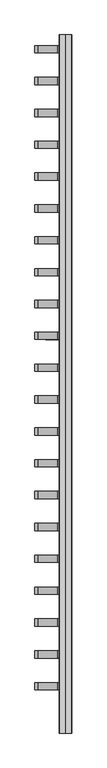
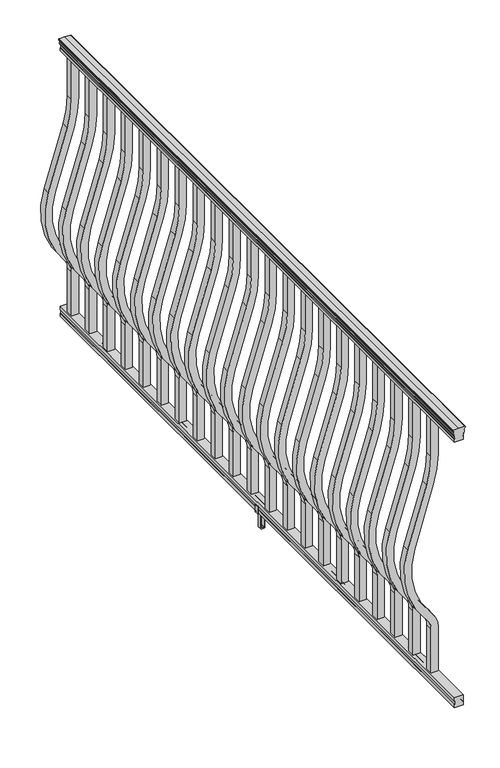
"""IFC4 building model written with IfcOpenShell, lengths in millimetres: railing geometry."""

from ifc_helpers import new_model, si_unit, point, frame, frame_2d, origin, place, context, project, spatial, polyline, circle_curve, trimmed, segment, composite_curve, outline, extrude, source, transform, mapped, element, save


def railing_517e70e4(model_context):
    return source(origin(), model_context, "Body", "SweptSolid", [
        extrude(outline(composite_curve([segment(trimmed(circle_curve(frame_2d((1090.8043297, 3206.6195636)), 1.2869144), [point((1090.8043297, 3205.3326492))], [point((1090.8043297, 3207.9064779))], False, "CARTESIAN"), True, "CONTINUOUS"), segment(polyline([(1090.8043297, 3207.9064779), (1080.147013, 3207.9064779), (1079.131013, 3206.8904779), (1066.8, 3206.8904779), (1066.8, 3238.6404779), (1079.2888283, 3238.6404779), (1080.3048283, 3237.6244779), (1090.8043297, 3237.6244779)]), True, "CONTINUOUS"), segment(trimmed(circle_curve(frame_2d((1090.8043297, 3238.9113923)), 1.2869144), [point((1090.8043297, 3237.6244779))], [point((1090.8043297, 3240.1983067))], False, "CARTESIAN"), True, "CONTINUOUS"), segment(polyline([(1090.8043297, 3240.1983067), (1092.692412, 3240.1983067)]), True, "CONTINUOUS"), segment(trimmed(circle_curve(frame_2d((1098.4506383, 3233.8835534)), 8.545951), [point((1092.692412, 3240.1983067))], [point((1094.2546695, 3241.328493))], False, "CARTESIAN"), True, "CONTINUOUS"), segment(trimmed(circle_curve(frame_2d((1097.8636577, 3234.3206164)), 7.882584), [point((1094.2546695, 3241.328493))], [point((1101.4726458, 3241.328493))], False, "CARTESIAN"), True, "CONTINUOUS"), segment(trimmed(circle_curve(frame_2d((1103.7112527, 3244.8339405)), 4.1592695), [point((1101.4726458, 3241.328493))], [point((1103.9060812, 3240.6792366))], True, "CARTESIAN"), True, "CONTINUOUS"), segment(trimmed(circle_curve(frame_2d((1103.6508864, 3246.121247)), 5.4479907), [point((1103.9060812, 3240.6792366))], [point((1108.2362083, 3243.1792366))], True, "CARTESIAN"), True, "CONTINUOUS"), segment(trimmed(circle_curve(frame_2d((1108.233395, 3244.8880886)), 1.7088543), [point((1108.2362083, 3243.1792366))], [point((1109.9157972, 3244.588579))], True, "CARTESIAN"), True, "CONTINUOUS"), segment(trimmed(circle_curve(frame_2d((1111.0205318, 3243.2711885)), 1.7192895), [point((1109.9157972, 3244.588579))], [point((1111.0205318, 3244.990478))], False, "CARTESIAN"), True, "CONTINUOUS"), segment(polyline([(1111.0205318, 3244.990478), (1112.3608158, 3244.9904779)]), True, "CONTINUOUS"), segment(trimmed(circle_curve(frame_2d((1112.3608158, 3243.4370307)), 1.5534472), [point((1112.3608158, 3244.9904779))], [point((1113.914263, 3243.4370307))], False, "CARTESIAN"), True, "CONTINUOUS"), segment(polyline([(1113.914263, 3243.4370307), (1113.914263, 3222.7654779), (1113.914263, 3202.0939252)]), True, "CONTINUOUS"), segment(trimmed(circle_curve(frame_2d((1112.3608158, 3202.0939252)), 1.5534472), [point((1113.914263, 3202.0939252))], [point((1112.3608158, 3200.5404779))], False, "CARTESIAN"), True, "CONTINUOUS"), segment(polyline([(1112.3608158, 3200.5404779), (1111.0205318, 3200.5404779)]), True, "CONTINUOUS"), segment(trimmed(circle_curve(frame_2d((1111.0205318, 3202.2597674)), 1.7192895), [point((1111.0205318, 3200.5404779))], [point((1109.9157972, 3200.9423769))], False, "CARTESIAN"), True, "CONTINUOUS"), segment(trimmed(circle_curve(frame_2d((1108.233395, 3200.6428673)), 1.7088543), [point((1109.9157972, 3200.9423769))], [point((1108.2362083, 3202.3517193))], True, "CARTESIAN"), True, "CONTINUOUS"), segment(trimmed(circle_curve(frame_2d((1103.6508864, 3199.4097088)), 5.4479907), [point((1108.2362083, 3202.3517193))], [point((1103.9060812, 3204.8517193))], True, "CARTESIAN"), True, "CONTINUOUS"), segment(trimmed(circle_curve(frame_2d((1103.7112527, 3200.6970154)), 4.1592695), [point((1103.9060812, 3204.8517193))], [point((1101.4726458, 3204.2024629))], True, "CARTESIAN"), True, "CONTINUOUS"), segment(trimmed(circle_curve(frame_2d((1097.8636577, 3211.2103395)), 7.882584), [point((1101.4726458, 3204.2024629))], [point((1094.2546695, 3204.2024629))], False, "CARTESIAN"), True, "CONTINUOUS"), segment(trimmed(circle_curve(frame_2d((1098.4506383, 3211.6474025)), 8.545951), [point((1094.2546695, 3204.2024629))], [point((1092.692412, 3205.3326492))], False, "CARTESIAN"), True, "CONTINUOUS"), segment(polyline([(1092.692412, 3205.3326492), (1090.8043297, 3205.3326492)]), True, "CONTINUOUS")], self_intersect=False)), frame((0.0, -43756.5733589, 0.0), z_axis=(0.0, 1.0, 0.0), x_axis=(0.0, 0.0, 1.0)), (0.0, 0.0, 1.0), 2438.4),
        extrude(outline(polyline([(76.0541976, 3206.852991), (63.5, 3206.852991), (63.5, 3238.602991), (76.0375508, 3238.602991), (77.3858283, 3237.586991), (87.6975248, 3237.586991), (89.0458024, 3238.602991), (101.5958781, 3238.602991), (101.5958781, 3206.852991), (89.0624492, 3206.852991), (87.7141717, 3207.868991), (77.3546183, 3207.868991), (76.0541976, 3206.852991)])), frame((0.0, -43756.5733589, 0.0), z_axis=(0.0, 1.0, 0.0), x_axis=(0.0, 0.0, 1.0)), (0.0, 0.0, 1.0), 2438.4),
        extrude(outline(composite_curve([segment(trimmed(circle_curve(frame_2d((921.03216, 2862.7654779)), 347.3), [point((921.03216, 3210.0654779))], [point((819.491467, 3194.8901197))], True, "CARTESIAN"), True, "CONTINUOUS"), segment(polyline([(819.491467, 3194.8901197), (597.6384377, 3127.0628419)]), True, "CONTINUOUS"), segment(trimmed(circle_curve(frame_2d((512.0612397, 3406.9732439)), 292.7), [point((597.6384377, 3127.0628419))], [point((317.0275666, 3188.7184471))], False, "CARTESIAN"), True, "CONTINUOUS"), segment(polyline([(317.0275666, 3188.7184471), (310.8708524, 3194.2201204)]), True, "CONTINUOUS"), segment(trimmed(circle_curve(frame_2d((269.3587313, 3147.7654779)), 62.3), [point((310.8708524, 3194.2201204))], [point((269.3587313, 3210.0654779))], True, "CARTESIAN"), True, "CONTINUOUS"), segment(polyline([(269.3587313, 3210.0654779), (101.5958781, 3210.0654779), (101.5958781, 3235.4654779), (269.3587313, 3235.4654779)]), True, "CONTINUOUS"), segment(trimmed(circle_curve(frame_2d((269.3587313, 3147.7654779)), 87.7), [point((269.3587313, 3235.4654779))], [point((327.7955374, 3213.1598943))], False, "CARTESIAN"), True, "CONTINUOUS"), segment(polyline([(327.7955374, 3213.1598943), (333.9522516, 3207.6582211)]), True, "CONTINUOUS"), segment(trimmed(circle_curve(frame_2d((512.0612397, 3406.9732439)), 267.3), [point((333.9522516, 3207.6582211))], [point((590.2121964, 3151.3529827))], True, "CARTESIAN"), True, "CONTINUOUS"), segment(polyline([(590.2121964, 3151.3529827), (812.0652257, 3219.1802605)]), True, "CONTINUOUS"), segment(trimmed(circle_curve(frame_2d((921.03216, 2862.7654779)), 372.7), [point((812.0652257, 3219.1802605))], [point((921.03216, 3235.4654779))], False, "CARTESIAN"), True, "CONTINUOUS"), segment(polyline([(921.03216, 3235.4654779), (1066.8, 3235.4654779), (1066.8, 3210.0654779), (921.03216, 3210.0654779)]), True, "CONTINUOUS")], self_intersect=False)), frame((0.0, -41380.6573589, 0.0), z_axis=(0.0, 1.0, 0.0), x_axis=(0.0, 0.0, 1.0)), (0.0, 0.0, 1.0), 25.4),
        extrude(outline(composite_curve([segment(trimmed(circle_curve(frame_2d((921.03216, 2862.7654779)), 347.3), [point((921.03216, 3210.0654779))], [point((819.491467, 3194.8901197))], True, "CARTESIAN"), True, "CONTINUOUS"), segment(polyline([(819.491467, 3194.8901197), (597.6384377, 3127.0628419)]), True, "CONTINUOUS"), segment(trimmed(circle_curve(frame_2d((512.0612397, 3406.9732439)), 292.7), [point((597.6384377, 3127.0628419))], [point((317.0275666, 3188.7184471))], False, "CARTESIAN"), True, "CONTINUOUS"), segment(polyline([(317.0275666, 3188.7184471), (310.8708524, 3194.2201204)]), True, "CONTINUOUS"), segment(trimmed(circle_curve(frame_2d((269.3587313, 3147.7654779)), 62.3), [point((310.8708524, 3194.2201204))], [point((269.3587313, 3210.0654779))], True, "CARTESIAN"), True, "CONTINUOUS"), segment(polyline([(269.3587313, 3210.0654779), (101.5958781, 3210.0654779), (101.5958781, 3235.4654779), (269.3587313, 3235.4654779)]), True, "CONTINUOUS"), segment(trimmed(circle_curve(frame_2d((269.3587313, 3147.7654779)), 87.7), [point((269.3587313, 3235.4654779))], [point((327.7955374, 3213.1598943))], False, "CARTESIAN"), True, "CONTINUOUS"), segment(polyline([(327.7955374, 3213.1598943), (333.9522516, 3207.6582211)]), True, "CONTINUOUS"), segment(trimmed(circle_curve(frame_2d((512.0612397, 3406.9732439)), 267.3), [point((333.9522516, 3207.6582211))], [point((590.2121964, 3151.3529827))], True, "CARTESIAN"), True, "CONTINUOUS"), segment(polyline([(590.2121964, 3151.3529827), (812.0652257, 3219.1802605)]), True, "CONTINUOUS"), segment(trimmed(circle_curve(frame_2d((921.03216, 2862.7654779)), 372.7), [point((812.0652257, 3219.1802605))], [point((921.03216, 3235.4654779))], False, "CARTESIAN"), True, "CONTINUOUS"), segment(polyline([(921.03216, 3235.4654779), (1066.8, 3235.4654779), (1066.8, 3210.0654779), (921.03216, 3210.0654779)]), True, "CONTINUOUS")], self_intersect=False)), frame((0.0, -41491.9093589, 0.0), z_axis=(0.0, 1.0, 0.0), x_axis=(0.0, 0.0, 1.0)), (0.0, 0.0, 1.0), 25.4),
        extrude(outline(composite_curve([segment(trimmed(circle_curve(frame_2d((921.03216, 2862.7654779)), 347.3), [point((921.03216, 3210.0654779))], [point((819.491467, 3194.8901197))], True, "CARTESIAN"), True, "CONTINUOUS"), segment(polyline([(819.491467, 3194.8901197), (597.6384377, 3127.0628419)]), True, "CONTINUOUS"), segment(trimmed(circle_curve(frame_2d((512.0612397, 3406.9732439)), 292.7), [point((597.6384377, 3127.0628419))], [point((317.0275666, 3188.7184471))], False, "CARTESIAN"), True, "CONTINUOUS"), segment(polyline([(317.0275666, 3188.7184471), (310.8708524, 3194.2201204)]), True, "CONTINUOUS"), segment(trimmed(circle_curve(frame_2d((269.3587313, 3147.7654779)), 62.3), [point((310.8708524, 3194.2201204))], [point((269.3587313, 3210.0654779))], True, "CARTESIAN"), True, "CONTINUOUS"), segment(polyline([(269.3587313, 3210.0654779), (101.5958781, 3210.0654779), (101.5958781, 3235.4654779), (269.3587313, 3235.4654779)]), True, "CONTINUOUS"), segment(trimmed(circle_curve(frame_2d((269.3587313, 3147.7654779)), 87.7), [point((269.3587313, 3235.4654779))], [point((327.7955374, 3213.1598943))], False, "CARTESIAN"), True, "CONTINUOUS"), segment(polyline([(327.7955374, 3213.1598943), (333.9522516, 3207.6582211)]), True, "CONTINUOUS"), segment(trimmed(circle_curve(frame_2d((512.0612397, 3406.9732439)), 267.3), [point((333.9522516, 3207.6582211))], [point((590.2121964, 3151.3529827))], True, "CARTESIAN"), True, "CONTINUOUS"), segment(polyline([(590.2121964, 3151.3529827), (812.0652257, 3219.1802605)]), True, "CONTINUOUS"), segment(trimmed(circle_curve(frame_2d((921.03216, 2862.7654779)), 372.7), [point((812.0652257, 3219.1802605))], [point((921.03216, 3235.4654779))], False, "CARTESIAN"), True, "CONTINUOUS"), segment(polyline([(921.03216, 3235.4654779), (1066.8, 3235.4654779), (1066.8, 3210.0654779), (921.03216, 3210.0654779)]), True, "CONTINUOUS")], self_intersect=False)), frame((0.0, -41603.1613589, 0.0), z_axis=(0.0, 1.0, 0.0), x_axis=(0.0, 0.0, 1.0)), (0.0, 0.0, 1.0), 25.4),
        extrude(outline(composite_curve([segment(trimmed(circle_curve(frame_2d((921.03216, 2862.7654779)), 347.3), [point((921.03216, 3210.0654779))], [point((819.491467, 3194.8901197))], True, "CARTESIAN"), True, "CONTINUOUS"), segment(polyline([(819.491467, 3194.8901197), (597.6384377, 3127.0628419)]), True, "CONTINUOUS"), segment(trimmed(circle_curve(frame_2d((512.0612397, 3406.9732439)), 292.7), [point((597.6384377, 3127.0628419))], [point((317.0275666, 3188.7184471))], False, "CARTESIAN"), True, "CONTINUOUS"), segment(polyline([(317.0275666, 3188.7184471), (310.8708524, 3194.2201204)]), True, "CONTINUOUS"), segment(trimmed(circle_curve(frame_2d((269.3587313, 3147.7654779)), 62.3), [point((310.8708524, 3194.2201204))], [point((269.3587313, 3210.0654779))], True, "CARTESIAN"), True, "CONTINUOUS"), segment(polyline([(269.3587313, 3210.0654779), (101.5958781, 3210.0654779), (101.5958781, 3235.4654779), (269.3587313, 3235.4654779)]), True, "CONTINUOUS"), segment(trimmed(circle_curve(frame_2d((269.3587313, 3147.7654779)), 87.7), [point((269.3587313, 3235.4654779))], [point((327.7955374, 3213.1598943))], False, "CARTESIAN"), True, "CONTINUOUS"), segment(polyline([(327.7955374, 3213.1598943), (333.9522516, 3207.6582211)]), True, "CONTINUOUS"), segment(trimmed(circle_curve(frame_2d((512.0612397, 3406.9732439)), 267.3), [point((333.9522516, 3207.6582211))], [point((590.2121964, 3151.3529827))], True, "CARTESIAN"), True, "CONTINUOUS"), segment(polyline([(590.2121964, 3151.3529827), (812.0652257, 3219.1802605)]), True, "CONTINUOUS"), segment(trimmed(circle_curve(frame_2d((921.03216, 2862.7654779)), 372.7), [point((812.0652257, 3219.1802605))], [point((921.03216, 3235.4654779))], False, "CARTESIAN"), True, "CONTINUOUS"), segment(polyline([(921.03216, 3235.4654779), (1066.8, 3235.4654779), (1066.8, 3210.0654779), (921.03216, 3210.0654779)]), True, "CONTINUOUS")], self_intersect=False)), frame((0.0, -41714.4133589, 0.0), z_axis=(0.0, 1.0, 0.0), x_axis=(0.0, 0.0, 1.0)), (0.0, 0.0, 1.0), 25.4),
        extrude(outline(composite_curve([segment(trimmed(circle_curve(frame_2d((921.03216, 2862.7654779)), 347.3), [point((921.03216, 3210.0654779))], [point((819.491467, 3194.8901197))], True, "CARTESIAN"), True, "CONTINUOUS"), segment(polyline([(819.491467, 3194.8901197), (597.6384377, 3127.0628419)]), True, "CONTINUOUS"), segment(trimmed(circle_curve(frame_2d((512.0612397, 3406.9732439)), 292.7), [point((597.6384377, 3127.0628419))], [point((317.0275666, 3188.7184471))], False, "CARTESIAN"), True, "CONTINUOUS"), segment(polyline([(317.0275666, 3188.7184471), (310.8708524, 3194.2201204)]), True, "CONTINUOUS"), segment(trimmed(circle_curve(frame_2d((269.3587313, 3147.7654779)), 62.3), [point((310.8708524, 3194.2201204))], [point((269.3587313, 3210.0654779))], True, "CARTESIAN"), True, "CONTINUOUS"), segment(polyline([(269.3587313, 3210.0654779), (101.5958781, 3210.0654779), (101.5958781, 3235.4654779), (269.3587313, 3235.4654779)]), True, "CONTINUOUS"), segment(trimmed(circle_curve(frame_2d((269.3587313, 3147.7654779)), 87.7), [point((269.3587313, 3235.4654779))], [point((327.7955374, 3213.1598943))], False, "CARTESIAN"), True, "CONTINUOUS"), segment(polyline([(327.7955374, 3213.1598943), (333.9522516, 3207.6582211)]), True, "CONTINUOUS"), segment(trimmed(circle_curve(frame_2d((512.0612397, 3406.9732439)), 267.3), [point((333.9522516, 3207.6582211))], [point((590.2121964, 3151.3529827))], True, "CARTESIAN"), True, "CONTINUOUS"), segment(polyline([(590.2121964, 3151.3529827), (812.0652257, 3219.1802605)]), True, "CONTINUOUS"), segment(trimmed(circle_curve(frame_2d((921.03216, 2862.7654779)), 372.7), [point((812.0652257, 3219.1802605))], [point((921.03216, 3235.4654779))], False, "CARTESIAN"), True, "CONTINUOUS"), segment(polyline([(921.03216, 3235.4654779), (1066.8, 3235.4654779), (1066.8, 3210.0654779), (921.03216, 3210.0654779)]), True, "CONTINUOUS")], self_intersect=False)), frame((0.0, -41825.6653589, 0.0), z_axis=(0.0, 1.0, 0.0), x_axis=(0.0, 0.0, 1.0)), (0.0, 0.0, 1.0), 25.4),
        extrude(outline(composite_curve([segment(trimmed(circle_curve(frame_2d((921.03216, 2862.7654779)), 347.3), [point((921.03216, 3210.0654779))], [point((819.491467, 3194.8901197))], True, "CARTESIAN"), True, "CONTINUOUS"), segment(polyline([(819.491467, 3194.8901197), (597.6384377, 3127.0628419)]), True, "CONTINUOUS"), segment(trimmed(circle_curve(frame_2d((512.0612397, 3406.9732439)), 292.7), [point((597.6384377, 3127.0628419))], [point((317.0275666, 3188.7184471))], False, "CARTESIAN"), True, "CONTINUOUS"), segment(polyline([(317.0275666, 3188.7184471), (310.8708524, 3194.2201204)]), True, "CONTINUOUS"), segment(trimmed(circle_curve(frame_2d((269.3587313, 3147.7654779)), 62.3), [point((310.8708524, 3194.2201204))], [point((269.3587313, 3210.0654779))], True, "CARTESIAN"), True, "CONTINUOUS"), segment(polyline([(269.3587313, 3210.0654779), (101.5958781, 3210.0654779), (101.5958781, 3235.4654779), (269.3587313, 3235.4654779)]), True, "CONTINUOUS"), segment(trimmed(circle_curve(frame_2d((269.3587313, 3147.7654779)), 87.7), [point((269.3587313, 3235.4654779))], [point((327.7955374, 3213.1598943))], False, "CARTESIAN"), True, "CONTINUOUS"), segment(polyline([(327.7955374, 3213.1598943), (333.9522516, 3207.6582211)]), True, "CONTINUOUS"), segment(trimmed(circle_curve(frame_2d((512.0612397, 3406.9732439)), 267.3), [point((333.9522516, 3207.6582211))], [point((590.2121964, 3151.3529827))], True, "CARTESIAN"), True, "CONTINUOUS"), segment(polyline([(590.2121964, 3151.3529827), (812.0652257, 3219.1802605)]), True, "CONTINUOUS"), segment(trimmed(circle_curve(frame_2d((921.03216, 2862.7654779)), 372.7), [point((812.0652257, 3219.1802605))], [point((921.03216, 3235.4654779))], False, "CARTESIAN"), True, "CONTINUOUS"), segment(polyline([(921.03216, 3235.4654779), (1066.8, 3235.4654779), (1066.8, 3210.0654779), (921.03216, 3210.0654779)]), True, "CONTINUOUS")], self_intersect=False)), frame((0.0, -41936.9173589, 0.0), z_axis=(0.0, 1.0, 0.0), x_axis=(0.0, 0.0, 1.0)), (0.0, 0.0, 1.0), 25.4),
        extrude(outline(composite_curve([segment(trimmed(circle_curve(frame_2d((921.03216, 2862.7654779)), 347.3), [point((921.03216, 3210.0654779))], [point((819.491467, 3194.8901197))], True, "CARTESIAN"), True, "CONTINUOUS"), segment(polyline([(819.491467, 3194.8901197), (597.6384377, 3127.0628419)]), True, "CONTINUOUS"), segment(trimmed(circle_curve(frame_2d((512.0612397, 3406.9732439)), 292.7), [point((597.6384377, 3127.0628419))], [point((317.0275666, 3188.7184471))], False, "CARTESIAN"), True, "CONTINUOUS"), segment(polyline([(317.0275666, 3188.7184471), (310.8708524, 3194.2201204)]), True, "CONTINUOUS"), segment(trimmed(circle_curve(frame_2d((269.3587313, 3147.7654779)), 62.3), [point((310.8708524, 3194.2201204))], [point((269.3587313, 3210.0654779))], True, "CARTESIAN"), True, "CONTINUOUS"), segment(polyline([(269.3587313, 3210.0654779), (101.5958781, 3210.0654779), (101.5958781, 3235.4654779), (269.3587313, 3235.4654779)]), True, "CONTINUOUS"), segment(trimmed(circle_curve(frame_2d((269.3587313, 3147.7654779)), 87.7), [point((269.3587313, 3235.4654779))], [point((327.7955374, 3213.1598943))], False, "CARTESIAN"), True, "CONTINUOUS"), segment(polyline([(327.7955374, 3213.1598943), (333.9522516, 3207.6582211)]), True, "CONTINUOUS"), segment(trimmed(circle_curve(frame_2d((512.0612397, 3406.9732439)), 267.3), [point((333.9522516, 3207.6582211))], [point((590.2121964, 3151.3529827))], True, "CARTESIAN"), True, "CONTINUOUS"), segment(polyline([(590.2121964, 3151.3529827), (812.0652257, 3219.1802605)]), True, "CONTINUOUS"), segment(trimmed(circle_curve(frame_2d((921.03216, 2862.7654779)), 372.7), [point((812.0652257, 3219.1802605))], [point((921.03216, 3235.4654779))], False, "CARTESIAN"), True, "CONTINUOUS"), segment(polyline([(921.03216, 3235.4654779), (1066.8, 3235.4654779), (1066.8, 3210.0654779), (921.03216, 3210.0654779)]), True, "CONTINUOUS")], self_intersect=False)), frame((0.0, -42048.1693589, 0.0), z_axis=(0.0, 1.0, 0.0), x_axis=(0.0, 0.0, 1.0)), (0.0, 0.0, 1.0), 25.4),
        extrude(outline(composite_curve([segment(trimmed(circle_curve(frame_2d((921.03216, 2862.7654779)), 347.3), [point((921.03216, 3210.0654779))], [point((819.491467, 3194.8901197))], True, "CARTESIAN"), True, "CONTINUOUS"), segment(polyline([(819.491467, 3194.8901197), (597.6384377, 3127.0628419)]), True, "CONTINUOUS"), segment(trimmed(circle_curve(frame_2d((512.0612397, 3406.9732439)), 292.7), [point((597.6384377, 3127.0628419))], [point((317.0275666, 3188.7184471))], False, "CARTESIAN"), True, "CONTINUOUS"), segment(polyline([(317.0275666, 3188.7184471), (310.8708524, 3194.2201204)]), True, "CONTINUOUS"), segment(trimmed(circle_curve(frame_2d((269.3587313, 3147.7654779)), 62.3), [point((310.8708524, 3194.2201204))], [point((269.3587313, 3210.0654779))], True, "CARTESIAN"), True, "CONTINUOUS"), segment(polyline([(269.3587313, 3210.0654779), (101.5958781, 3210.0654779), (101.5958781, 3235.4654779), (269.3587313, 3235.4654779)]), True, "CONTINUOUS"), segment(trimmed(circle_curve(frame_2d((269.3587313, 3147.7654779)), 87.7), [point((269.3587313, 3235.4654779))], [point((327.7955374, 3213.1598943))], False, "CARTESIAN"), True, "CONTINUOUS"), segment(polyline([(327.7955374, 3213.1598943), (333.9522516, 3207.6582211)]), True, "CONTINUOUS"), segment(trimmed(circle_curve(frame_2d((512.0612397, 3406.9732439)), 267.3), [point((333.9522516, 3207.6582211))], [point((590.2121964, 3151.3529827))], True, "CARTESIAN"), True, "CONTINUOUS"), segment(polyline([(590.2121964, 3151.3529827), (812.0652257, 3219.1802605)]), True, "CONTINUOUS"), segment(trimmed(circle_curve(frame_2d((921.03216, 2862.7654779)), 372.7), [point((812.0652257, 3219.1802605))], [point((921.03216, 3235.4654779))], False, "CARTESIAN"), True, "CONTINUOUS"), segment(polyline([(921.03216, 3235.4654779), (1066.8, 3235.4654779), (1066.8, 3210.0654779), (921.03216, 3210.0654779)]), True, "CONTINUOUS")], self_intersect=False)), frame((0.0, -42159.4213589, 0.0), z_axis=(0.0, 1.0, 0.0), x_axis=(0.0, 0.0, 1.0)), (0.0, 0.0, 1.0), 25.4),
        extrude(outline(composite_curve([segment(trimmed(circle_curve(frame_2d((921.03216, 2862.7654779)), 347.3), [point((921.03216, 3210.0654779))], [point((819.491467, 3194.8901197))], True, "CARTESIAN"), True, "CONTINUOUS"), segment(polyline([(819.491467, 3194.8901197), (597.6384377, 3127.0628419)]), True, "CONTINUOUS"), segment(trimmed(circle_curve(frame_2d((512.0612397, 3406.9732439)), 292.7), [point((597.6384377, 3127.0628419))], [point((317.0275666, 3188.7184471))], False, "CARTESIAN"), True, "CONTINUOUS"), segment(polyline([(317.0275666, 3188.7184471), (310.8708524, 3194.2201204)]), True, "CONTINUOUS"), segment(trimmed(circle_curve(frame_2d((269.3587313, 3147.7654779)), 62.3), [point((310.8708524, 3194.2201204))], [point((269.3587313, 3210.0654779))], True, "CARTESIAN"), True, "CONTINUOUS"), segment(polyline([(269.3587313, 3210.0654779), (101.5958781, 3210.0654779), (101.5958781, 3235.4654779), (269.3587313, 3235.4654779)]), True, "CONTINUOUS"), segment(trimmed(circle_curve(frame_2d((269.3587313, 3147.7654779)), 87.7), [point((269.3587313, 3235.4654779))], [point((327.7955374, 3213.1598943))], False, "CARTESIAN"), True, "CONTINUOUS"), segment(polyline([(327.7955374, 3213.1598943), (333.9522516, 3207.6582211)]), True, "CONTINUOUS"), segment(trimmed(circle_curve(frame_2d((512.0612397, 3406.9732439)), 267.3), [point((333.9522516, 3207.6582211))], [point((590.2121964, 3151.3529827))], True, "CARTESIAN"), True, "CONTINUOUS"), segment(polyline([(590.2121964, 3151.3529827), (812.0652257, 3219.1802605)]), True, "CONTINUOUS"), segment(trimmed(circle_curve(frame_2d((921.03216, 2862.7654779)), 372.7), [point((812.0652257, 3219.1802605))], [point((921.03216, 3235.4654779))], False, "CARTESIAN"), True, "CONTINUOUS"), segment(polyline([(921.03216, 3235.4654779), (1066.8, 3235.4654779), (1066.8, 3210.0654779), (921.03216, 3210.0654779)]), True, "CONTINUOUS")], self_intersect=False)), frame((0.0, -42270.6733589, 0.0), z_axis=(0.0, 1.0, 0.0), x_axis=(0.0, 0.0, 1.0)), (0.0, 0.0, 1.0), 25.4),
        extrude(outline(composite_curve([segment(trimmed(circle_curve(frame_2d((921.03216, 2862.7654779)), 347.3), [point((921.03216, 3210.0654779))], [point((819.491467, 3194.8901197))], True, "CARTESIAN"), True, "CONTINUOUS"), segment(polyline([(819.491467, 3194.8901197), (597.6384377, 3127.0628419)]), True, "CONTINUOUS"), segment(trimmed(circle_curve(frame_2d((512.0612397, 3406.9732439)), 292.7), [point((597.6384377, 3127.0628419))], [point((317.0275666, 3188.7184471))], False, "CARTESIAN"), True, "CONTINUOUS"), segment(polyline([(317.0275666, 3188.7184471), (310.8708524, 3194.2201204)]), True, "CONTINUOUS"), segment(trimmed(circle_curve(frame_2d((269.3587313, 3147.7654779)), 62.3), [point((310.8708524, 3194.2201204))], [point((269.3587313, 3210.0654779))], True, "CARTESIAN"), True, "CONTINUOUS"), segment(polyline([(269.3587313, 3210.0654779), (101.5958781, 3210.0654779), (101.5958781, 3235.4654779), (269.3587313, 3235.4654779)]), True, "CONTINUOUS"), segment(trimmed(circle_curve(frame_2d((269.3587313, 3147.7654779)), 87.7), [point((269.3587313, 3235.4654779))], [point((327.7955374, 3213.1598943))], False, "CARTESIAN"), True, "CONTINUOUS"), segment(polyline([(327.7955374, 3213.1598943), (333.9522516, 3207.6582211)]), True, "CONTINUOUS"), segment(trimmed(circle_curve(frame_2d((512.0612397, 3406.9732439)), 267.3), [point((333.9522516, 3207.6582211))], [point((590.2121964, 3151.3529827))], True, "CARTESIAN"), True, "CONTINUOUS"), segment(polyline([(590.2121964, 3151.3529827), (812.0652257, 3219.1802605)]), True, "CONTINUOUS"), segment(trimmed(circle_curve(frame_2d((921.03216, 2862.7654779)), 372.7), [point((812.0652257, 3219.1802605))], [point((921.03216, 3235.4654779))], False, "CARTESIAN"), True, "CONTINUOUS"), segment(polyline([(921.03216, 3235.4654779), (1066.8, 3235.4654779), (1066.8, 3210.0654779), (921.03216, 3210.0654779)]), True, "CONTINUOUS")], self_intersect=False)), frame((0.0, -42381.9253589, 0.0), z_axis=(0.0, 1.0, 0.0), x_axis=(0.0, 0.0, 1.0)), (0.0, 0.0, 1.0), 25.4),
        extrude(outline(composite_curve([segment(trimmed(circle_curve(frame_2d((921.03216, 2862.7654779)), 347.3), [point((921.03216, 3210.0654779))], [point((819.491467, 3194.8901197))], True, "CARTESIAN"), True, "CONTINUOUS"), segment(polyline([(819.491467, 3194.8901197), (597.6384377, 3127.0628419)]), True, "CONTINUOUS"), segment(trimmed(circle_curve(frame_2d((512.0612397, 3406.9732439)), 292.7), [point((597.6384377, 3127.0628419))], [point((317.0275666, 3188.7184471))], False, "CARTESIAN"), True, "CONTINUOUS"), segment(polyline([(317.0275666, 3188.7184471), (310.8708524, 3194.2201204)]), True, "CONTINUOUS"), segment(trimmed(circle_curve(frame_2d((269.3587313, 3147.7654779)), 62.3), [point((310.8708524, 3194.2201204))], [point((269.3587313, 3210.0654779))], True, "CARTESIAN"), True, "CONTINUOUS"), segment(polyline([(269.3587313, 3210.0654779), (101.5958781, 3210.0654779), (101.5958781, 3235.4654779), (269.3587313, 3235.4654779)]), True, "CONTINUOUS"), segment(trimmed(circle_curve(frame_2d((269.3587313, 3147.7654779)), 87.7), [point((269.3587313, 3235.4654779))], [point((327.7955374, 3213.1598943))], False, "CARTESIAN"), True, "CONTINUOUS"), segment(polyline([(327.7955374, 3213.1598943), (333.9522516, 3207.6582211)]), True, "CONTINUOUS"), segment(trimmed(circle_curve(frame_2d((512.0612397, 3406.9732439)), 267.3), [point((333.9522516, 3207.6582211))], [point((590.2121964, 3151.3529827))], True, "CARTESIAN"), True, "CONTINUOUS"), segment(polyline([(590.2121964, 3151.3529827), (812.0652257, 3219.1802605)]), True, "CONTINUOUS"), segment(trimmed(circle_curve(frame_2d((921.03216, 2862.7654779)), 372.7), [point((812.0652257, 3219.1802605))], [point((921.03216, 3235.4654779))], False, "CARTESIAN"), True, "CONTINUOUS"), segment(polyline([(921.03216, 3235.4654779), (1066.8, 3235.4654779), (1066.8, 3210.0654779), (921.03216, 3210.0654779)]), True, "CONTINUOUS")], self_intersect=False)), frame((0.0, -42493.1773589, 0.0), z_axis=(0.0, 1.0, 0.0), x_axis=(0.0, 0.0, 1.0)), (0.0, 0.0, 1.0), 25.4),
        extrude(outline(polyline([(88.7203979, 3240.9264768), (88.7203979, 3238.8944772), (87.7043953, 3237.8784774), (77.2686081, 3237.8784774), (76.2526073, 3238.8944772), (64.262001, 3238.8944772), (63.5000019, 3238.132478), (63.5000019, 3207.3984769), (64.262001, 3206.6364778), (76.2526073, 3206.6364778), (77.2686081, 3207.6524775), (87.7043953, 3207.6524775), (88.7203979, 3206.6364778), (88.7203979, 3204.6044782), (87.9583969, 3203.8424771), (61.4680023, 3203.8424771), (60.7060013, 3204.6044782), (60.7060013, 3214.6374772), (59.9440012, 3215.3994773), (0.762001, 3215.3994773), (0.0, 3216.1614783), (0.0, 3229.3694776), (0.7620001, 3230.1314776), (59.9440012, 3230.1314776), (60.7060013, 3230.8934777), (60.7060013, 3240.9264768), (61.4680023, 3241.6884778), (87.9583969, 3241.6884778), (88.7203979, 3240.9264768)]), holes=[polyline([(60.7060013, 3219.3364776), (60.7060013, 3226.1944774), (59.9440012, 3226.9564775), (3.9370003, 3226.9564775), (3.1750031, 3226.1944802), (3.1750031, 3219.3364776), (3.9370031, 3218.5744775), (59.9440012, 3218.5744775), (60.7060013, 3219.3364776)])]), frame((0.0, -42543.4693589, 0.0), z_axis=(0.0, 1.0, 0.0), x_axis=(0.0, 0.0, 1.0)), (0.0, 0.0, 1.0), 14.732),
        extrude(outline(composite_curve([segment(trimmed(circle_curve(frame_2d((921.03216, 2862.7654779)), 347.3), [point((921.03216, 3210.0654779))], [point((819.491467, 3194.8901197))], True, "CARTESIAN"), True, "CONTINUOUS"), segment(polyline([(819.491467, 3194.8901197), (597.6384377, 3127.0628419)]), True, "CONTINUOUS"), segment(trimmed(circle_curve(frame_2d((512.0612397, 3406.9732439)), 292.7), [point((597.6384377, 3127.0628419))], [point((317.0275666, 3188.7184471))], False, "CARTESIAN"), True, "CONTINUOUS"), segment(polyline([(317.0275666, 3188.7184471), (310.8708524, 3194.2201204)]), True, "CONTINUOUS"), segment(trimmed(circle_curve(frame_2d((269.3587313, 3147.7654779)), 62.3), [point((310.8708524, 3194.2201204))], [point((269.3587313, 3210.0654779))], True, "CARTESIAN"), True, "CONTINUOUS"), segment(polyline([(269.3587313, 3210.0654779), (101.5958781, 3210.0654779), (101.5958781, 3235.4654779), (269.3587313, 3235.4654779)]), True, "CONTINUOUS"), segment(trimmed(circle_curve(frame_2d((269.3587313, 3147.7654779)), 87.7), [point((269.3587313, 3235.4654779))], [point((327.7955374, 3213.1598943))], False, "CARTESIAN"), True, "CONTINUOUS"), segment(polyline([(327.7955374, 3213.1598943), (333.9522516, 3207.6582211)]), True, "CONTINUOUS"), segment(trimmed(circle_curve(frame_2d((512.0612397, 3406.9732439)), 267.3), [point((333.9522516, 3207.6582211))], [point((590.2121964, 3151.3529827))], True, "CARTESIAN"), True, "CONTINUOUS"), segment(polyline([(590.2121964, 3151.3529827), (812.0652257, 3219.1802605)]), True, "CONTINUOUS"), segment(trimmed(circle_curve(frame_2d((921.03216, 2862.7654779)), 372.7), [point((812.0652257, 3219.1802605))], [point((921.03216, 3235.4654779))], False, "CARTESIAN"), True, "CONTINUOUS"), segment(polyline([(921.03216, 3235.4654779), (1066.8, 3235.4654779), (1066.8, 3210.0654779), (921.03216, 3210.0654779)]), True, "CONTINUOUS")], self_intersect=False)), frame((0.0, -42604.4293589, 0.0), z_axis=(0.0, 1.0, 0.0), x_axis=(0.0, 0.0, 1.0)), (0.0, 0.0, 1.0), 25.4),
        extrude(outline(composite_curve([segment(trimmed(circle_curve(frame_2d((921.03216, 2862.7654779)), 347.3), [point((921.03216, 3210.0654779))], [point((819.491467, 3194.8901197))], True, "CARTESIAN"), True, "CONTINUOUS"), segment(polyline([(819.491467, 3194.8901197), (597.6384377, 3127.0628419)]), True, "CONTINUOUS"), segment(trimmed(circle_curve(frame_2d((512.0612397, 3406.9732439)), 292.7), [point((597.6384377, 3127.0628419))], [point((317.0275666, 3188.7184471))], False, "CARTESIAN"), True, "CONTINUOUS"), segment(polyline([(317.0275666, 3188.7184471), (310.8708524, 3194.2201204)]), True, "CONTINUOUS"), segment(trimmed(circle_curve(frame_2d((269.3587313, 3147.7654779)), 62.3), [point((310.8708524, 3194.2201204))], [point((269.3587313, 3210.0654779))], True, "CARTESIAN"), True, "CONTINUOUS"), segment(polyline([(269.3587313, 3210.0654779), (101.5958781, 3210.0654779), (101.5958781, 3235.4654779), (269.3587313, 3235.4654779)]), True, "CONTINUOUS"), segment(trimmed(circle_curve(frame_2d((269.3587313, 3147.7654779)), 87.7), [point((269.3587313, 3235.4654779))], [point((327.7955374, 3213.1598943))], False, "CARTESIAN"), True, "CONTINUOUS"), segment(polyline([(327.7955374, 3213.1598943), (333.9522516, 3207.6582211)]), True, "CONTINUOUS"), segment(trimmed(circle_curve(frame_2d((512.0612397, 3406.9732439)), 267.3), [point((333.9522516, 3207.6582211))], [point((590.2121964, 3151.3529827))], True, "CARTESIAN"), True, "CONTINUOUS"), segment(polyline([(590.2121964, 3151.3529827), (812.0652257, 3219.1802605)]), True, "CONTINUOUS"), segment(trimmed(circle_curve(frame_2d((921.03216, 2862.7654779)), 372.7), [point((812.0652257, 3219.1802605))], [point((921.03216, 3235.4654779))], False, "CARTESIAN"), True, "CONTINUOUS"), segment(polyline([(921.03216, 3235.4654779), (1066.8, 3235.4654779), (1066.8, 3210.0654779), (921.03216, 3210.0654779)]), True, "CONTINUOUS")], self_intersect=False)), frame((0.0, -42715.6813589, 0.0), z_axis=(0.0, 1.0, 0.0), x_axis=(0.0, 0.0, 1.0)), (0.0, 0.0, 1.0), 25.4),
        extrude(outline(composite_curve([segment(trimmed(circle_curve(frame_2d((921.03216, 2862.7654779)), 347.3), [point((921.03216, 3210.0654779))], [point((819.491467, 3194.8901197))], True, "CARTESIAN"), True, "CONTINUOUS"), segment(polyline([(819.491467, 3194.8901197), (597.6384377, 3127.0628419)]), True, "CONTINUOUS"), segment(trimmed(circle_curve(frame_2d((512.0612397, 3406.9732439)), 292.7), [point((597.6384377, 3127.0628419))], [point((317.0275666, 3188.7184471))], False, "CARTESIAN"), True, "CONTINUOUS"), segment(polyline([(317.0275666, 3188.7184471), (310.8708524, 3194.2201204)]), True, "CONTINUOUS"), segment(trimmed(circle_curve(frame_2d((269.3587313, 3147.7654779)), 62.3), [point((310.8708524, 3194.2201204))], [point((269.3587313, 3210.0654779))], True, "CARTESIAN"), True, "CONTINUOUS"), segment(polyline([(269.3587313, 3210.0654779), (101.5958781, 3210.0654779), (101.5958781, 3235.4654779), (269.3587313, 3235.4654779)]), True, "CONTINUOUS"), segment(trimmed(circle_curve(frame_2d((269.3587313, 3147.7654779)), 87.7), [point((269.3587313, 3235.4654779))], [point((327.7955374, 3213.1598943))], False, "CARTESIAN"), True, "CONTINUOUS"), segment(polyline([(327.7955374, 3213.1598943), (333.9522516, 3207.6582211)]), True, "CONTINUOUS"), segment(trimmed(circle_curve(frame_2d((512.0612397, 3406.9732439)), 267.3), [point((333.9522516, 3207.6582211))], [point((590.2121964, 3151.3529827))], True, "CARTESIAN"), True, "CONTINUOUS"), segment(polyline([(590.2121964, 3151.3529827), (812.0652257, 3219.1802605)]), True, "CONTINUOUS"), segment(trimmed(circle_curve(frame_2d((921.03216, 2862.7654779)), 372.7), [point((812.0652257, 3219.1802605))], [point((921.03216, 3235.4654779))], False, "CARTESIAN"), True, "CONTINUOUS"), segment(polyline([(921.03216, 3235.4654779), (1066.8, 3235.4654779), (1066.8, 3210.0654779), (921.03216, 3210.0654779)]), True, "CONTINUOUS")], self_intersect=False)), frame((0.0, -42826.9333589, 0.0), z_axis=(0.0, 1.0, 0.0), x_axis=(0.0, 0.0, 1.0)), (0.0, 0.0, 1.0), 25.4),
        extrude(outline(composite_curve([segment(trimmed(circle_curve(frame_2d((921.03216, 2862.7654779)), 347.3), [point((921.03216, 3210.0654779))], [point((819.491467, 3194.8901197))], True, "CARTESIAN"), True, "CONTINUOUS"), segment(polyline([(819.491467, 3194.8901197), (597.6384377, 3127.0628419)]), True, "CONTINUOUS"), segment(trimmed(circle_curve(frame_2d((512.0612397, 3406.9732439)), 292.7), [point((597.6384377, 3127.0628419))], [point((317.0275666, 3188.7184471))], False, "CARTESIAN"), True, "CONTINUOUS"), segment(polyline([(317.0275666, 3188.7184471), (310.8708524, 3194.2201204)]), True, "CONTINUOUS"), segment(trimmed(circle_curve(frame_2d((269.3587313, 3147.7654779)), 62.3), [point((310.8708524, 3194.2201204))], [point((269.3587313, 3210.0654779))], True, "CARTESIAN"), True, "CONTINUOUS"), segment(polyline([(269.3587313, 3210.0654779), (101.5958781, 3210.0654779), (101.5958781, 3235.4654779), (269.3587313, 3235.4654779)]), True, "CONTINUOUS"), segment(trimmed(circle_curve(frame_2d((269.3587313, 3147.7654779)), 87.7), [point((269.3587313, 3235.4654779))], [point((327.7955374, 3213.1598943))], False, "CARTESIAN"), True, "CONTINUOUS"), segment(polyline([(327.7955374, 3213.1598943), (333.9522516, 3207.6582211)]), True, "CONTINUOUS"), segment(trimmed(circle_curve(frame_2d((512.0612397, 3406.9732439)), 267.3), [point((333.9522516, 3207.6582211))], [point((590.2121964, 3151.3529827))], True, "CARTESIAN"), True, "CONTINUOUS"), segment(polyline([(590.2121964, 3151.3529827), (812.0652257, 3219.1802605)]), True, "CONTINUOUS"), segment(trimmed(circle_curve(frame_2d((921.03216, 2862.7654779)), 372.7), [point((812.0652257, 3219.1802605))], [point((921.03216, 3235.4654779))], False, "CARTESIAN"), True, "CONTINUOUS"), segment(polyline([(921.03216, 3235.4654779), (1066.8, 3235.4654779), (1066.8, 3210.0654779), (921.03216, 3210.0654779)]), True, "CONTINUOUS")], self_intersect=False)), frame((0.0, -42938.1853589, 0.0), z_axis=(0.0, 1.0, 0.0), x_axis=(0.0, 0.0, 1.0)), (0.0, 0.0, 1.0), 25.4),
        extrude(outline(composite_curve([segment(trimmed(circle_curve(frame_2d((921.03216, 2862.7654779)), 347.3), [point((921.03216, 3210.0654779))], [point((819.491467, 3194.8901197))], True, "CARTESIAN"), True, "CONTINUOUS"), segment(polyline([(819.491467, 3194.8901197), (597.6384377, 3127.0628419)]), True, "CONTINUOUS"), segment(trimmed(circle_curve(frame_2d((512.0612397, 3406.9732439)), 292.7), [point((597.6384377, 3127.0628419))], [point((317.0275666, 3188.7184471))], False, "CARTESIAN"), True, "CONTINUOUS"), segment(polyline([(317.0275666, 3188.7184471), (310.8708524, 3194.2201204)]), True, "CONTINUOUS"), segment(trimmed(circle_curve(frame_2d((269.3587313, 3147.7654779)), 62.3), [point((310.8708524, 3194.2201204))], [point((269.3587313, 3210.0654779))], True, "CARTESIAN"), True, "CONTINUOUS"), segment(polyline([(269.3587313, 3210.0654779), (101.5958781, 3210.0654779), (101.5958781, 3235.4654779), (269.3587313, 3235.4654779)]), True, "CONTINUOUS"), segment(trimmed(circle_curve(frame_2d((269.3587313, 3147.7654779)), 87.7), [point((269.3587313, 3235.4654779))], [point((327.7955374, 3213.1598943))], False, "CARTESIAN"), True, "CONTINUOUS"), segment(polyline([(327.7955374, 3213.1598943), (333.9522516, 3207.6582211)]), True, "CONTINUOUS"), segment(trimmed(circle_curve(frame_2d((512.0612397, 3406.9732439)), 267.3), [point((333.9522516, 3207.6582211))], [point((590.2121964, 3151.3529827))], True, "CARTESIAN"), True, "CONTINUOUS"), segment(polyline([(590.2121964, 3151.3529827), (812.0652257, 3219.1802605)]), True, "CONTINUOUS"), segment(trimmed(circle_curve(frame_2d((921.03216, 2862.7654779)), 372.7), [point((812.0652257, 3219.1802605))], [point((921.03216, 3235.4654779))], False, "CARTESIAN"), True, "CONTINUOUS"), segment(polyline([(921.03216, 3235.4654779), (1066.8, 3235.4654779), (1066.8, 3210.0654779), (921.03216, 3210.0654779)]), True, "CONTINUOUS")], self_intersect=False)), frame((0.0, -43049.4373589, 0.0), z_axis=(0.0, 1.0, 0.0), x_axis=(0.0, 0.0, 1.0)), (0.0, 0.0, 1.0), 25.4),
        extrude(outline(composite_curve([segment(trimmed(circle_curve(frame_2d((921.03216, 2862.7654779)), 347.3), [point((921.03216, 3210.0654779))], [point((819.491467, 3194.8901197))], True, "CARTESIAN"), True, "CONTINUOUS"), segment(polyline([(819.491467, 3194.8901197), (597.6384377, 3127.0628419)]), True, "CONTINUOUS"), segment(trimmed(circle_curve(frame_2d((512.0612397, 3406.9732439)), 292.7), [point((597.6384377, 3127.0628419))], [point((317.0275666, 3188.7184471))], False, "CARTESIAN"), True, "CONTINUOUS"), segment(polyline([(317.0275666, 3188.7184471), (310.8708524, 3194.2201204)]), True, "CONTINUOUS"), segment(trimmed(circle_curve(frame_2d((269.3587313, 3147.7654779)), 62.3), [point((310.8708524, 3194.2201204))], [point((269.3587313, 3210.0654779))], True, "CARTESIAN"), True, "CONTINUOUS"), segment(polyline([(269.3587313, 3210.0654779), (101.5958781, 3210.0654779), (101.5958781, 3235.4654779), (269.3587313, 3235.4654779)]), True, "CONTINUOUS"), segment(trimmed(circle_curve(frame_2d((269.3587313, 3147.7654779)), 87.7), [point((269.3587313, 3235.4654779))], [point((327.7955374, 3213.1598943))], False, "CARTESIAN"), True, "CONTINUOUS"), segment(polyline([(327.7955374, 3213.1598943), (333.9522516, 3207.6582211)]), True, "CONTINUOUS"), segment(trimmed(circle_curve(frame_2d((512.0612397, 3406.9732439)), 267.3), [point((333.9522516, 3207.6582211))], [point((590.2121964, 3151.3529827))], True, "CARTESIAN"), True, "CONTINUOUS"), segment(polyline([(590.2121964, 3151.3529827), (812.0652257, 3219.1802605)]), True, "CONTINUOUS"), segment(trimmed(circle_curve(frame_2d((921.03216, 2862.7654779)), 372.7), [point((812.0652257, 3219.1802605))], [point((921.03216, 3235.4654779))], False, "CARTESIAN"), True, "CONTINUOUS"), segment(polyline([(921.03216, 3235.4654779), (1066.8, 3235.4654779), (1066.8, 3210.0654779), (921.03216, 3210.0654779)]), True, "CONTINUOUS")], self_intersect=False)), frame((0.0, -43160.6893589, 0.0), z_axis=(0.0, 1.0, 0.0), x_axis=(0.0, 0.0, 1.0)), (0.0, 0.0, 1.0), 25.4),
        extrude(outline(composite_curve([segment(trimmed(circle_curve(frame_2d((921.03216, 2862.7654779)), 347.3), [point((921.03216, 3210.0654779))], [point((819.491467, 3194.8901197))], True, "CARTESIAN"), True, "CONTINUOUS"), segment(polyline([(819.491467, 3194.8901197), (597.6384377, 3127.0628419)]), True, "CONTINUOUS"), segment(trimmed(circle_curve(frame_2d((512.0612397, 3406.9732439)), 292.7), [point((597.6384377, 3127.0628419))], [point((317.0275666, 3188.7184471))], False, "CARTESIAN"), True, "CONTINUOUS"), segment(polyline([(317.0275666, 3188.7184471), (310.8708524, 3194.2201204)]), True, "CONTINUOUS"), segment(trimmed(circle_curve(frame_2d((269.3587313, 3147.7654779)), 62.3), [point((310.8708524, 3194.2201204))], [point((269.3587313, 3210.0654779))], True, "CARTESIAN"), True, "CONTINUOUS"), segment(polyline([(269.3587313, 3210.0654779), (101.5958781, 3210.0654779), (101.5958781, 3235.4654779), (269.3587313, 3235.4654779)]), True, "CONTINUOUS"), segment(trimmed(circle_curve(frame_2d((269.3587313, 3147.7654779)), 87.7), [point((269.3587313, 3235.4654779))], [point((327.7955374, 3213.1598943))], False, "CARTESIAN"), True, "CONTINUOUS"), segment(polyline([(327.7955374, 3213.1598943), (333.9522516, 3207.6582211)]), True, "CONTINUOUS"), segment(trimmed(circle_curve(frame_2d((512.0612397, 3406.9732439)), 267.3), [point((333.9522516, 3207.6582211))], [point((590.2121964, 3151.3529827))], True, "CARTESIAN"), True, "CONTINUOUS"), segment(polyline([(590.2121964, 3151.3529827), (812.0652257, 3219.1802605)]), True, "CONTINUOUS"), segment(trimmed(circle_curve(frame_2d((921.03216, 2862.7654779)), 372.7), [point((812.0652257, 3219.1802605))], [point((921.03216, 3235.4654779))], False, "CARTESIAN"), True, "CONTINUOUS"), segment(polyline([(921.03216, 3235.4654779), (1066.8, 3235.4654779), (1066.8, 3210.0654779), (921.03216, 3210.0654779)]), True, "CONTINUOUS")], self_intersect=False)), frame((0.0, -43271.9413589, 0.0), z_axis=(0.0, 1.0, 0.0), x_axis=(0.0, 0.0, 1.0)), (0.0, 0.0, 1.0), 25.4),
        extrude(outline(composite_curve([segment(trimmed(circle_curve(frame_2d((921.03216, 2862.7654779)), 347.3), [point((921.03216, 3210.0654779))], [point((819.491467, 3194.8901197))], True, "CARTESIAN"), True, "CONTINUOUS"), segment(polyline([(819.491467, 3194.8901197), (597.6384377, 3127.0628419)]), True, "CONTINUOUS"), segment(trimmed(circle_curve(frame_2d((512.0612397, 3406.9732439)), 292.7), [point((597.6384377, 3127.0628419))], [point((317.0275666, 3188.7184471))], False, "CARTESIAN"), True, "CONTINUOUS"), segment(polyline([(317.0275666, 3188.7184471), (310.8708524, 3194.2201204)]), True, "CONTINUOUS"), segment(trimmed(circle_curve(frame_2d((269.3587313, 3147.7654779)), 62.3), [point((310.8708524, 3194.2201204))], [point((269.3587313, 3210.0654779))], True, "CARTESIAN"), True, "CONTINUOUS"), segment(polyline([(269.3587313, 3210.0654779), (101.5958781, 3210.0654779), (101.5958781, 3235.4654779), (269.3587313, 3235.4654779)]), True, "CONTINUOUS"), segment(trimmed(circle_curve(frame_2d((269.3587313, 3147.7654779)), 87.7), [point((269.3587313, 3235.4654779))], [point((327.7955374, 3213.1598943))], False, "CARTESIAN"), True, "CONTINUOUS"), segment(polyline([(327.7955374, 3213.1598943), (333.9522516, 3207.6582211)]), True, "CONTINUOUS"), segment(trimmed(circle_curve(frame_2d((512.0612397, 3406.9732439)), 267.3), [point((333.9522516, 3207.6582211))], [point((590.2121964, 3151.3529827))], True, "CARTESIAN"), True, "CONTINUOUS"), segment(polyline([(590.2121964, 3151.3529827), (812.0652257, 3219.1802605)]), True, "CONTINUOUS"), segment(trimmed(circle_curve(frame_2d((921.03216, 2862.7654779)), 372.7), [point((812.0652257, 3219.1802605))], [point((921.03216, 3235.4654779))], False, "CARTESIAN"), True, "CONTINUOUS"), segment(polyline([(921.03216, 3235.4654779), (1066.8, 3235.4654779), (1066.8, 3210.0654779), (921.03216, 3210.0654779)]), True, "CONTINUOUS")], self_intersect=False)), frame((0.0, -43383.1933589, 0.0), z_axis=(0.0, 1.0, 0.0), x_axis=(0.0, 0.0, 1.0)), (0.0, 0.0, 1.0), 25.4),
        extrude(outline(composite_curve([segment(trimmed(circle_curve(frame_2d((921.03216, 2862.7654779)), 347.3), [point((921.03216, 3210.0654779))], [point((819.491467, 3194.8901197))], True, "CARTESIAN"), True, "CONTINUOUS"), segment(polyline([(819.491467, 3194.8901197), (597.6384377, 3127.0628419)]), True, "CONTINUOUS"), segment(trimmed(circle_curve(frame_2d((512.0612397, 3406.9732439)), 292.7), [point((597.6384377, 3127.0628419))], [point((317.0275666, 3188.7184471))], False, "CARTESIAN"), True, "CONTINUOUS"), segment(polyline([(317.0275666, 3188.7184471), (310.8708524, 3194.2201204)]), True, "CONTINUOUS"), segment(trimmed(circle_curve(frame_2d((269.3587313, 3147.7654779)), 62.3), [point((310.8708524, 3194.2201204))], [point((269.3587313, 3210.0654779))], True, "CARTESIAN"), True, "CONTINUOUS"), segment(polyline([(269.3587313, 3210.0654779), (101.5958781, 3210.0654779), (101.5958781, 3235.4654779), (269.3587313, 3235.4654779)]), True, "CONTINUOUS"), segment(trimmed(circle_curve(frame_2d((269.3587313, 3147.7654779)), 87.7), [point((269.3587313, 3235.4654779))], [point((327.7955374, 3213.1598943))], False, "CARTESIAN"), True, "CONTINUOUS"), segment(polyline([(327.7955374, 3213.1598943), (333.9522516, 3207.6582211)]), True, "CONTINUOUS"), segment(trimmed(circle_curve(frame_2d((512.0612397, 3406.9732439)), 267.3), [point((333.9522516, 3207.6582211))], [point((590.2121964, 3151.3529827))], True, "CARTESIAN"), True, "CONTINUOUS"), segment(polyline([(590.2121964, 3151.3529827), (812.0652257, 3219.1802605)]), True, "CONTINUOUS"), segment(trimmed(circle_curve(frame_2d((921.03216, 2862.7654779)), 372.7), [point((812.0652257, 3219.1802605))], [point((921.03216, 3235.4654779))], False, "CARTESIAN"), True, "CONTINUOUS"), segment(polyline([(921.03216, 3235.4654779), (1066.8, 3235.4654779), (1066.8, 3210.0654779), (921.03216, 3210.0654779)]), True, "CONTINUOUS")], self_intersect=False)), frame((0.0, -43494.4453589, 0.0), z_axis=(0.0, 1.0, 0.0), x_axis=(0.0, 0.0, 1.0)), (0.0, 0.0, 1.0), 25.4),
        extrude(outline(composite_curve([segment(trimmed(circle_curve(frame_2d((921.03216, 2862.7654779)), 347.3), [point((921.03216, 3210.0654779))], [point((819.491467, 3194.8901197))], True, "CARTESIAN"), True, "CONTINUOUS"), segment(polyline([(819.491467, 3194.8901197), (597.6384377, 3127.0628419)]), True, "CONTINUOUS"), segment(trimmed(circle_curve(frame_2d((512.0612397, 3406.9732439)), 292.7), [point((597.6384377, 3127.0628419))], [point((317.0275666, 3188.7184471))], False, "CARTESIAN"), True, "CONTINUOUS"), segment(polyline([(317.0275666, 3188.7184471), (310.8708524, 3194.2201204)]), True, "CONTINUOUS"), segment(trimmed(circle_curve(frame_2d((269.3587313, 3147.7654779)), 62.3), [point((310.8708524, 3194.2201204))], [point((269.3587313, 3210.0654779))], True, "CARTESIAN"), True, "CONTINUOUS"), segment(polyline([(269.3587313, 3210.0654779), (101.5958781, 3210.0654779), (101.5958781, 3235.4654779), (269.3587313, 3235.4654779)]), True, "CONTINUOUS"), segment(trimmed(circle_curve(frame_2d((269.3587313, 3147.7654779)), 87.7), [point((269.3587313, 3235.4654779))], [point((327.7955374, 3213.1598943))], False, "CARTESIAN"), True, "CONTINUOUS"), segment(polyline([(327.7955374, 3213.1598943), (333.9522516, 3207.6582211)]), True, "CONTINUOUS"), segment(trimmed(circle_curve(frame_2d((512.0612397, 3406.9732439)), 267.3), [point((333.9522516, 3207.6582211))], [point((590.2121964, 3151.3529827))], True, "CARTESIAN"), True, "CONTINUOUS"), segment(polyline([(590.2121964, 3151.3529827), (812.0652257, 3219.1802605)]), True, "CONTINUOUS"), segment(trimmed(circle_curve(frame_2d((921.03216, 2862.7654779)), 372.7), [point((812.0652257, 3219.1802605))], [point((921.03216, 3235.4654779))], False, "CARTESIAN"), True, "CONTINUOUS"), segment(polyline([(921.03216, 3235.4654779), (1066.8, 3235.4654779), (1066.8, 3210.0654779), (921.03216, 3210.0654779)]), True, "CONTINUOUS")], self_intersect=False)), frame((0.0, -43605.6973589, 0.0), z_axis=(0.0, 1.0, 0.0), x_axis=(0.0, 0.0, 1.0)), (0.0, 0.0, 1.0), 25.4),
    ])


if __name__ == "__main__":
    model = new_model("IFC4")
    model_context = context("Model", 3, world=origin())
    ifc_project = project(units=[si_unit("LENGTHUNIT", "METRE", prefix="MILLI")], contexts=[model_context])
    site = spatial("IfcSite", under=ifc_project)
    building = spatial("IfcBuilding", under=site)
    placement = place(None, origin())
    railing_shape = railing_517e70e4(model_context)
    element("IfcRailing", 1, at=placement, inside=building, context=model_context, shape_type="MappedRepresentation", body=[
        mapped(railing_shape, transform((0.0, 0.0, 0.0), x_axis=(1.0, 0.0, 0.0), y_axis=(0.0, 1.0, 0.0), z_axis=(0.0, 0.0, 1.0))),
    ])
    save(model, "model.ifc")
